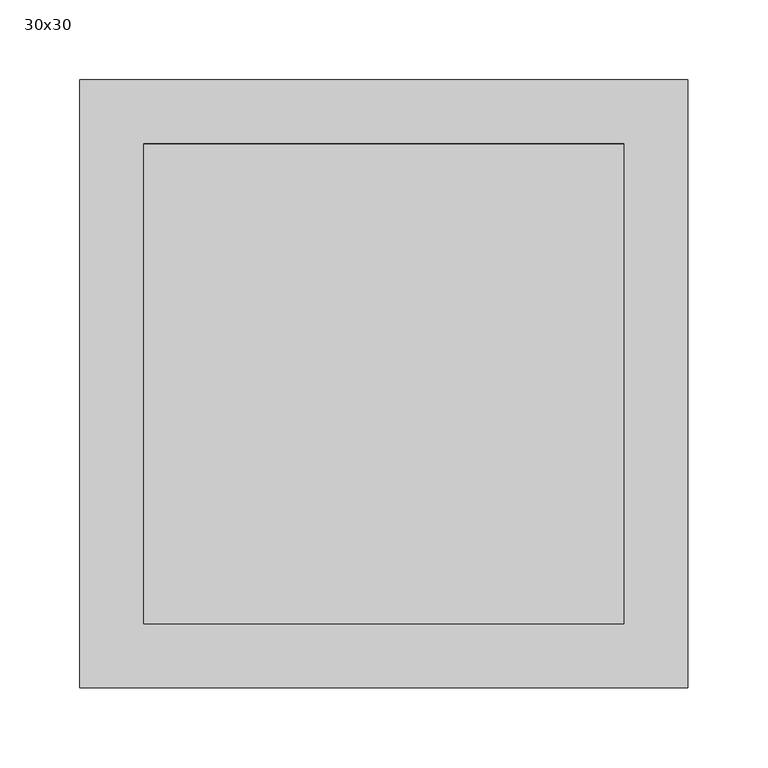
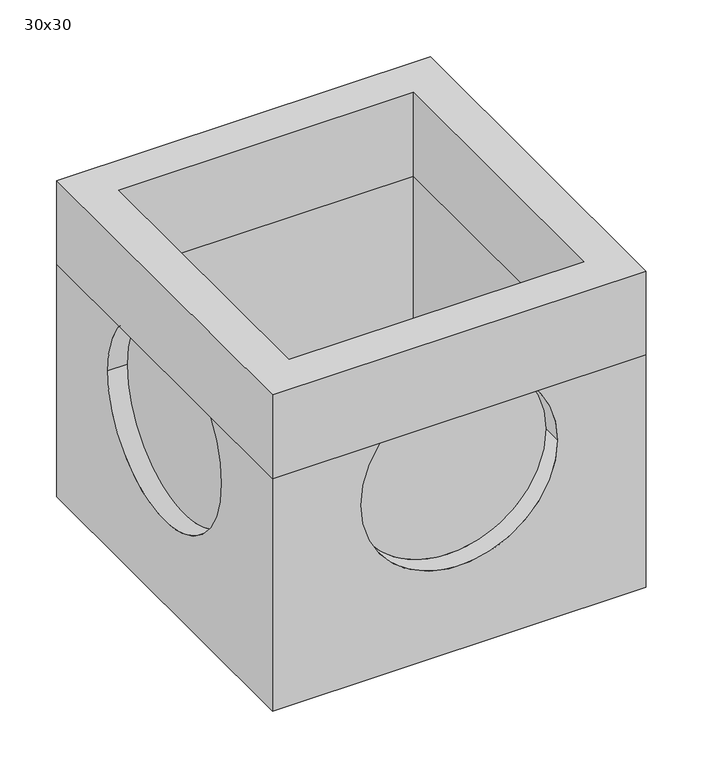
"""IFC4 building model written with IfcOpenShell, lengths in millimetres: proxy geometry, 30x30."""

from ifc_helpers import new_model, si_unit, frame, origin, place, context, project, spatial, polyline, circle_curve, outline, extrude, source, transform, mapped, element, save
from ifc_brep_helpers import plane_surface, revolved_surface, advanced_brep


def proxy_30x30_d480015a(model_context):
    return source(origin(), model_context, "Body", "SolidModel", [
        extrude(outline(polyline([(190.0, 190.0), (190.0, -190.0), (-190.0, -190.0), (-190.0, 190.0), (190.0, 190.0)]), holes=[polyline([(150.0, 150.0), (-150.0, 150.0), (-150.0, -150.0), (150.0, -150.0), (150.0, 150.0)])]), frame((0.0, 0.0, -100.0), z_axis=(0.0, 0.0, 1.0), x_axis=(1.0, 0.0, 0.0)), (0.0, 0.0, 1.0), 90.0),
        advanced_brep(
        [(190.0, 190.0, -10.0), (-190.0, 190.0, -10.0), (-190.0, -190.0, -10.0), (190.0, -190.0, -10.0), (150.0, 150.0, -10.0), (150.0, -150.0, -10.0), (-150.0, -150.0, -10.0), (-150.0, 150.0, -10.0), (190.0, 190.0, -350.0), (-190.0, 190.0, -350.0), (-100.0, 190.0, -160.0), (100.0, 190.0, -160.0), (-190.0, -190.0, -350.0), (-190.0, -100.0, -160.0), (-190.0, 100.0, -160.0), (190.0, -190.0, -350.0), (100.0, -190.0, -160.0), (-100.0, -190.0, -160.0), (190.0, 100.0, -160.0), (190.0, -100.0, -160.0), (150.0, 150.0, -310.0), (150.0, -150.0, -310.0), (-150.0, -150.0, -310.0), (-150.0, 150.0, -310.0), (-100.0, -170.0, -160.0), (100.0, -170.0, -160.0), (-100.0, 170.0, -160.0), (100.0, 170.0, -160.0), (-170.0, -100.0, -160.0), (-170.0, 100.0, -160.0), (170.0, -100.0, -160.0), (170.0, 100.0, -160.0)],
        [
            (0, 1),
            (1, 2),
            (2, 3),
            (3, 0),
            (4, 5),
            (5, 6),
            (6, 7),
            (7, 4),
            (0, 8),
            (8, 9),
            (9, 1),
            (10, 11, circle_curve(frame((0.0, 190.0, -160.0), z_axis=(0.0, -1.0, 0.0), x_axis=(1.0, 0.0, 0.0)), 100.0)),
            (11, 10, circle_curve(frame((0.0, 190.0, -160.0), z_axis=(0.0, -1.0, 0.0), x_axis=(1.0, 0.0, 0.0)), 100.0)),
            (9, 12),
            (12, 2),
            (13, 14, circle_curve(frame((-190.0, 0.0, -160.0), z_axis=(1.0, 0.0, 0.0), x_axis=(0.0, 1.0, 0.0)), 100.0)),
            (14, 13, circle_curve(frame((-190.0, 0.0, -160.0), z_axis=(1.0, 0.0, 0.0), x_axis=(0.0, 1.0, 0.0)), 100.0)),
            (12, 15),
            (15, 3),
            (16, 17, circle_curve(frame((0.0, -190.0, -160.0), z_axis=(0.0, 1.0, 0.0), x_axis=(1.0, 0.0, 0.0)), 100.0)),
            (17, 16, circle_curve(frame((0.0, -190.0, -160.0), z_axis=(0.0, 1.0, 0.0), x_axis=(1.0, 0.0, 0.0)), 100.0)),
            (15, 8),
            (18, 19, circle_curve(frame((190.0, 0.0, -160.0), z_axis=(-1.0, 0.0, 0.0), x_axis=(0.0, 1.0, 0.0)), 100.0)),
            (19, 18, circle_curve(frame((190.0, 0.0, -160.0), z_axis=(-1.0, 0.0, 0.0), x_axis=(0.0, 1.0, 0.0)), 100.0)),
            (4, 20),
            (20, 21),
            (21, 5),
            (21, 22),
            (22, 6),
            (22, 23),
            (23, 7),
            (23, 20),
            (24, 25, circle_curve(frame((0.0, -170.0, -160.0), z_axis=(0.0, -1.0, 0.0), x_axis=(1.0, 0.0, 0.0)), 100.0)),
            (25, 24, circle_curve(frame((0.0, -170.0, -160.0), z_axis=(0.0, -1.0, 0.0), x_axis=(1.0, 0.0, 0.0)), 100.0)),
            (24, 17),
            (16, 25),
            (26, 27, circle_curve(frame((0.0, 170.0, -160.0), z_axis=(0.0, 1.0, 0.0), x_axis=(1.0, 0.0, 0.0)), 100.0)),
            (27, 26, circle_curve(frame((0.0, 170.0, -160.0), z_axis=(0.0, 1.0, 0.0), x_axis=(1.0, 0.0, 0.0)), 100.0)),
            (27, 11),
            (10, 26),
            (28, 29, circle_curve(frame((-170.0, 0.0, -160.0), z_axis=(-1.0, 0.0, 0.0), x_axis=(0.0, 1.0, 0.0)), 100.0)),
            (29, 28, circle_curve(frame((-170.0, 0.0, -160.0), z_axis=(-1.0, 0.0, 0.0), x_axis=(0.0, 1.0, 0.0)), 100.0)),
            (29, 14),
            (13, 28),
            (30, 31, circle_curve(frame((170.0, 0.0, -160.0), z_axis=(1.0, 0.0, 0.0), x_axis=(0.0, 1.0, 0.0)), 100.0)),
            (31, 30, circle_curve(frame((170.0, 0.0, -160.0), z_axis=(1.0, 0.0, 0.0), x_axis=(0.0, 1.0, 0.0)), 100.0)),
            (30, 19),
            (18, 31),
        ],
        [
            plane_surface(frame((-190.0, 190.0, -10.0), z_axis=(0.0, 0.0, 1.0), x_axis=(-1.0, 0.0, 0.0))),
            plane_surface(frame((190.0, 190.0, -10.0), z_axis=(0.0, 1.0, 0.0), x_axis=(0.0, 0.0, -1.0))),
            plane_surface(frame((-190.0, 190.0, -10.0), z_axis=(-1.0, 0.0, 0.0), x_axis=(0.0, 0.0, -1.0))),
            plane_surface(frame((-190.0, -190.0, -10.0), z_axis=(0.0, -1.0, 0.0), x_axis=(0.0, 0.0, -1.0))),
            plane_surface(frame((190.0, -190.0, -10.0), z_axis=(1.0, 0.0, 0.0), x_axis=(0.0, 0.0, -1.0))),
            plane_surface(frame((150.0, 150.0, -10.0), z_axis=(-1.0, 0.0, 0.0), x_axis=(0.0, 0.0, -1.0))),
            plane_surface(frame((150.0, -150.0, -10.0), z_axis=(0.0, 1.0, 0.0), x_axis=(0.0, 0.0, -1.0))),
            plane_surface(frame((-150.0, -150.0, -10.0), z_axis=(1.0, 0.0, 0.0), x_axis=(0.0, 0.0, -1.0))),
            plane_surface(frame((-150.0, 150.0, -10.0), z_axis=(0.0, -1.0, 0.0), x_axis=(0.0, 0.0, -1.0))),
            plane_surface(frame((-190.0, 190.0, -310.0), z_axis=(0.0, 0.0, 1.0), x_axis=(-1.0, 0.0, 0.0))),
            plane_surface(frame((-190.0, 190.0, -350.0), z_axis=(0.0, 0.0, -1.0), x_axis=(1.0, 0.0, 0.0))),
            plane_surface(frame((100.0, -170.0, -160.0), z_axis=(0.0, -1.0, 0.0), x_axis=(0.0, 0.0, -1.0))),
            revolved_surface(polyline([(100.0, -190.0, -160.0), (100.0, -170.0, -160.0)]), (0.0, -170.0, -160.0), (0.0, -1.0, 0.0)),
            plane_surface(frame((100.0, 170.0, -160.0), z_axis=(0.0, 1.0, 0.0), x_axis=(0.0, 0.0, 1.0))),
            revolved_surface(polyline([(100.0, 170.0, -160.0), (100.0, 190.0, -160.0)]), (0.0, 190.0, -160.0), (0.0, -1.0, 0.0)),
            plane_surface(frame((-170.0, 100.0, -160.0), z_axis=(-1.0, 0.0, 0.0), x_axis=(0.0, 0.0, 1.0))),
            revolved_surface(polyline([(-170.0, 100.0, -160.0), (-190.0, 100.0, -160.0)]), (-190.0, 0.0, -160.0), (1.0, 0.0, 0.0)),
            plane_surface(frame((170.0, 100.0, -160.0), z_axis=(1.0, 0.0, 0.0), x_axis=(0.0, 0.0, -1.0))),
            revolved_surface(polyline([(190.0, 100.0, -160.0), (170.0, 100.0, -160.0)]), (170.0, 0.0, -160.0), (1.0, 0.0, 0.0)),
        ],
        [
            (0, [[1, 2, 3, 4], [5, 6, 7, 8]]),
            (1, [[-1, 9, 10, 11], [12, 13]]),
            (2, [[-2, -11, 14, 15], [16, 17]]),
            (3, [[-3, -15, 18, 19], [20, 21]]),
            (4, [[-4, -19, 22, -9], [23, 24]]),
            (5, [[-5, 25, 26, 27]]),
            (6, [[-6, -27, 28, 29]]),
            (7, [[-7, -29, 30, 31]]),
            (8, [[-8, -31, 32, -25]]),
            (9, [[-26, -32, -30, -28]]),
            (10, [[-22, -18, -14, -10]]),
            (11, [[33, 34]]),
            (12, [[-33, 35, -20, 36]]),
            (12, [[-34, -36, -21, -35]]),
            (13, [[37, 38]]),
            (14, [[-38, 39, -12, 40]]),
            (14, [[-37, -40, -13, -39]]),
            (15, [[41, 42]]),
            (16, [[-42, 43, -16, 44]]),
            (16, [[-41, -44, -17, -43]]),
            (17, [[45, 46]]),
            (18, [[-45, 47, -23, 48]]),
            (18, [[-46, -48, -24, -47]]),
        ],
    ),
    ])


if __name__ == "__main__":
    model = new_model("IFC4")
    model_context = context("Model", 3, world=origin())
    ifc_project = project(units=[si_unit("LENGTHUNIT", "METRE", prefix="MILLI")], contexts=[model_context])
    site = spatial("IfcSite", under=ifc_project)
    building = spatial("IfcBuilding", under=site)
    placement = place(None, origin())
    proxy_30x30_shape = proxy_30x30_d480015a(model_context)
    element("IfcBuildingElementProxy", 1, Name="30x30", ObjectType="30x30", at=placement, inside=building, context=model_context, shape_type="MappedRepresentation", body=[
        mapped(proxy_30x30_shape, transform((0.0, 0.0, 0.0), x_axis=(1.0, 0.0, 0.0), y_axis=(0.0, 1.0, 0.0), z_axis=(0.0, 0.0, 1.0))),
    ])
    save(model, "model.ifc")
